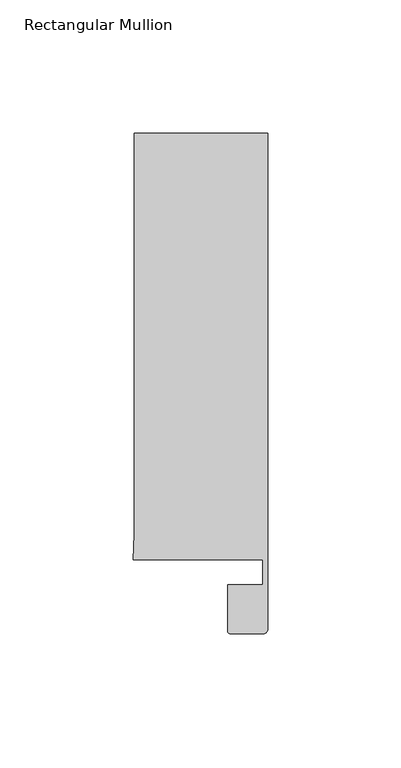
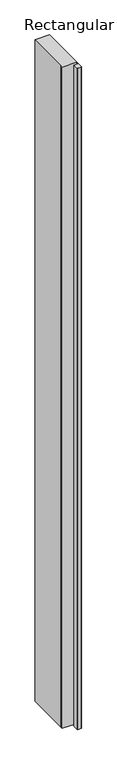
"""IFC4 building model written with IfcOpenShell, lengths in millimetres: member geometry, Rectangular Mullion."""

from ifc_helpers import new_model, si_unit, frame, origin, place, context, project, spatial, circle_curve, source, transform, mapped, element, save
from ifc_brep_helpers import plane_surface, cylinder_surface, advanced_brep


def rectangular_mullion_653b45ac(model_context):
    return source(origin(), model_context, "Body", "AdvancedBrep", [
        advanced_brep(
        [(0.0, 173.9954336, 0.0), (-50.0, 173.9954336, 0.0), (-50.0, 23.4857001, 0.0), (-50.4480466, 14.0, 0.0), (-1.8004864, 14.0, 0.0), (-1.8004864, 4.6022209, 0.0), (-15.0004864, 4.6022209, 0.0), (-15.0004864, -12.8070627, 0.0), (-14.000243, -13.8070627, 0.0), (-1.5004864, -13.8070627, 0.0), (-0.0004864, -12.3070627, 0.0), (-0.0004864, 14.0, 0.0), (0.0, 173.9954336, -2352.9080722), (0.0, 13.9954336, -2352.9080722), (-0.0004864, -12.3070627, -2352.9080722), (-1.5004864, -13.8070627, -2352.9080722), (-14.000243, -13.8070627, -2352.9080722), (-15.000243, -12.8070627, -2352.9080722), (-15.0004864, 4.6022209, -2352.9080722), (-1.8004864, 4.6022209, -2352.9080722), (-1.8004864, 14.0, -2352.9080722), (-50.4480466, 14.0, -2352.9080722), (-50.0, 23.4857001, -2352.9080722), (-50.0, 173.9954336, -2352.9080722)],
        [
            (0, 1),
            (1, 2),
            (2, 3),
            (3, 4),
            (4, 5),
            (5, 6),
            (6, 7),
            (7, 8, circle_curve(frame((-14.000243, -12.8070627, 0.0), z_axis=(0.0, 0.0, 1.0), x_axis=(1.0, 0.0, 0.0)), 1.0)),
            (8, 9),
            (9, 10, circle_curve(frame((-1.5004864, -12.3070627, 0.0), z_axis=(0.0, 0.0, 1.0), x_axis=(1.0, 0.0, 0.0)), 1.5)),
            (10, 11),
            (11, 0),
            (12, 13),
            (13, 14),
            (14, 15, circle_curve(frame((-1.5004864, -12.3070627, -2352.9080722), z_axis=(0.0, 0.0, -1.0), x_axis=(1.0, 0.0, 0.0)), 1.5)),
            (15, 16),
            (16, 17, circle_curve(frame((-14.000243, -12.8070627, -2352.9080722), z_axis=(0.0, 0.0, -1.0), x_axis=(1.0, 0.0, 0.0)), 1.0)),
            (17, 18),
            (18, 19),
            (19, 20),
            (20, 21),
            (21, 22),
            (22, 23),
            (23, 12),
            (0, 12),
            (23, 1),
            (22, 2),
            (21, 3),
            (20, 4),
            (19, 5),
            (18, 6),
            (17, 7),
            (16, 8),
            (15, 9),
            (14, 10),
            (13, 11),
        ],
        [
            plane_surface(frame((0.0, -181.0370429, 0.0), z_axis=(0.0, 0.0, 1.0), x_axis=(-1.0, 0.0, 0.0))),
            plane_surface(frame((0.0, -181.0370429, -2352.9080722), z_axis=(0.0, 0.0, -1.0), x_axis=(-1.0, 0.0, 0.0))),
            plane_surface(frame((0.0, 173.9954336, 0.0), z_axis=(0.0, 1.0, 0.0), x_axis=(0.0, 0.0, -1.0))),
            plane_surface(frame((-50.0, 173.9954336, 0.0), z_axis=(-1.0, 0.0, 0.0), x_axis=(0.0, 0.0, -1.0))),
            plane_surface(frame((-50.0, 23.4857001, 0.0), z_axis=(-0.9988863426396707, 0.04718129383497829, 0.0), x_axis=(0.0, 0.0, -1.0))),
            plane_surface(frame((-50.4480466, 14.0, 0.0), z_axis=(0.0, -1.0, 0.0), x_axis=(0.0, 0.0, -1.0))),
            plane_surface(frame((-1.8004864, 14.0, 0.0), z_axis=(-1.0, 0.0, 0.0), x_axis=(0.0, 0.0, -1.0))),
            plane_surface(frame((-1.8004864, 4.6022209, 0.0), z_axis=(0.0, 1.0, 0.0), x_axis=(0.0, 0.0, -1.0))),
            plane_surface(frame((-15.0004864, 4.6022209, 0.0), z_axis=(-1.0, 0.0, 0.0), x_axis=(0.0, 0.0, -1.0))),
            cylinder_surface(frame((-14.000243, -12.8070627, 0.0), z_axis=(0.0, 0.0, 1.0), x_axis=(1.0, 0.0, 0.0)), 1.0),
            plane_surface(frame((-14.000243, -13.8070627, 0.0), z_axis=(0.0, -1.0, 0.0), x_axis=(0.0, 0.0, -1.0))),
            cylinder_surface(frame((-1.5004864, -12.3070627, 0.0), z_axis=(0.0, 0.0, 1.0), x_axis=(1.0, 0.0, 0.0)), 1.5),
            plane_surface(frame((-0.0004864, -12.3070627, 0.0), z_axis=(1.0, 0.0, 0.0), x_axis=(0.0, 0.0, -1.0))),
            plane_surface(frame((0.0, 13.9954336, 0.0), z_axis=(1.0, 0.0, 0.0), x_axis=(0.0, 0.0, -1.0))),
        ],
        [
            (0, [[1, 2, 3, 4, 5, 6, 7, 8, 9, 10, 11, 12]]),
            (1, [[13, 14, 15, 16, 17, 18, 19, 20, 21, 22, 23, 24]]),
            (2, [[-1, 25, -24, 26]]),
            (3, [[-2, -26, -23, 27]]),
            (4, [[-3, -27, -22, 28]]),
            (5, [[-4, -28, -21, 29]]),
            (6, [[-5, -29, -20, 30]]),
            (7, [[-6, -30, -19, 31]]),
            (8, [[-7, -31, -18, 32]]),
            (9, [[-8, -32, -17, 33]]),
            (10, [[-9, -33, -16, 34]]),
            (11, [[-10, -34, -15, 35]]),
            (12, [[-11, -35, -14, 36]]),
            (13, [[-12, -36, -13, -25]]),
        ],
    ),
    ])


if __name__ == "__main__":
    model = new_model("IFC4")
    model_context = context("Model", 3, world=origin())
    ifc_project = project(units=[si_unit("LENGTHUNIT", "METRE", prefix="MILLI")], contexts=[model_context])
    site = spatial("IfcSite", under=ifc_project)
    building = spatial("IfcBuilding", under=site)
    placement = place(None, origin())
    rectangular_mullion_shape = rectangular_mullion_653b45ac(model_context)
    element("IfcMember", 1, ObjectType="Rectangular Mullion", at=placement, inside=building, context=model_context, shape_type="MappedRepresentation", body=[
        mapped(rectangular_mullion_shape, transform((0.0, 0.0, 0.0), x_axis=(1.0, 0.0, 0.0), y_axis=(0.0, 1.0, 0.0), z_axis=(0.0, 0.0, 1.0))),
    ])
    save(model, "model.ifc")
